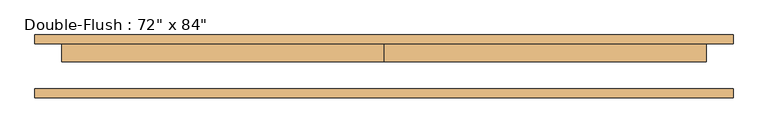
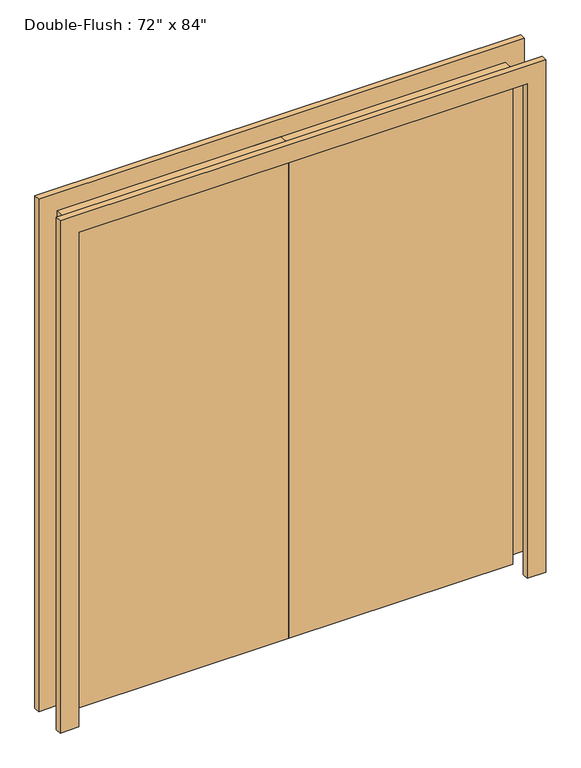
"""IFC4 building model written with IfcOpenShell, lengths in millimetres: door geometry."""

from ifc_helpers import new_model, si_unit, frame, origin, origin_with_axes, place, context, project, spatial, polyline, outline, extrude, source, transform, mapped, element, save


def door_2ec079c3(model_context):
    return source(origin(), model_context, "Body", "SweptSolid", [
        extrude(outline(polyline([(0.0, 63.5), (914.4, 63.5), (914.4, 12.7), (0.0, 12.7), (0.0, 63.5)])), origin_with_axes(), (0.0, 0.0, 1.0), 2133.6),
        extrude(outline(polyline([(-914.4, 63.5), (0.0, 63.5), (0.0, 12.7), (-914.4, 12.7), (-914.4, 63.5)])), origin_with_axes(), (0.0, 0.0, 1.0), 2133.6),
        extrude(outline(polyline([(2133.6, -914.4), (2133.6, 914.4), (0.0, 914.4), (0.0, 990.6), (2209.8, 990.6), (2209.8, -990.6), (0.0, -990.6), (0.0, -914.4), (2133.6, -914.4)])), frame((0.0, -88.9, 0.0), z_axis=(0.0, 1.0, 0.0), x_axis=(0.0, 0.0, 1.0)), (0.0, 0.0, 1.0), 25.4),
        extrude(outline(polyline([(2133.6, -914.4), (2133.6, 914.4), (0.0, 914.4), (0.0, 990.6), (2209.8, 990.6), (2209.8, -990.6), (0.0, -990.6), (0.0, -914.4), (2133.6, -914.4)])), frame((0.0, 63.5, 0.0), z_axis=(0.0, 1.0, 0.0), x_axis=(0.0, 0.0, 1.0)), (0.0, 0.0, 1.0), 25.4),
    ])


if __name__ == "__main__":
    model = new_model("IFC4")
    model_context = context("Model", 3, world=origin())
    ifc_project = project(units=[si_unit("LENGTHUNIT", "METRE", prefix="MILLI")], contexts=[model_context])
    site = spatial("IfcSite", under=ifc_project)
    building = spatial("IfcBuilding", under=site)
    placement = place(None, origin())
    door_shape = door_2ec079c3(model_context)
    element("IfcDoor", 1, ObjectType="Double-Flush : 72\" x 84\"", at=placement, inside=building, context=model_context, shape_type="MappedRepresentation", body=[
        mapped(door_shape, transform((0.0, 0.0, 0.0), x_axis=(1.0, 0.0, 0.0), y_axis=(0.0, 1.0, 0.0), z_axis=(0.0, 0.0, 1.0))),
    ])
    save(model, "model.ifc")
